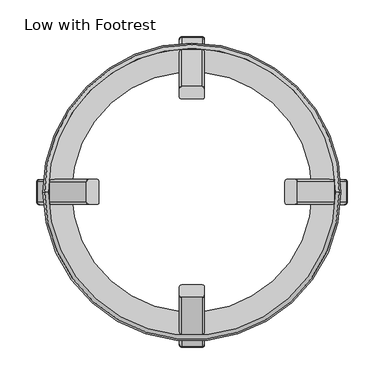
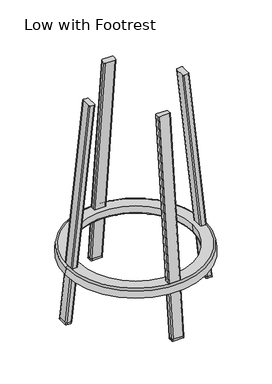
"""IFC4 building model written with IfcOpenShell, lengths in millimetres: furniture geometry, Low with Footrest."""

from ifc_helpers import new_model, si_unit, point, frame, origin, place, context, project, spatial, polyline, circle_curve, ellipse_curve, trimmed, source, transform, mapped, element, save
from ifc_brep_helpers import plane_surface, cylinder_surface, revolved_surface, advanced_brep


def low_with_footrest_e939b517(model_context):
    return source(origin(), model_context, "Body", "AdvancedBrep", [
        advanced_brep(
        [(-17.0, -206.8680483, 5.0), (-14.0, -209.8845732, 5.0), (14.0, -209.8845732, 5.0), (17.0, -206.8680483, 5.0), (17.0, -195.8074573, 5.0), (14.0, -192.7909324, 5.0), (-14.0, -192.7909324, 5.0), (-17.0, -195.8074573, 5.0), (17.0, -196.3329784, 0.0), (14.0, -193.3164536, 0.0), (17.0, -207.3935695, 0.0), (14.0, -210.4100944, 0.0), (-14.0, -210.4100944, 0.0), (-17.0, -207.3935695, 0.0), (-17.0, -196.3329784, 0.0), (-14.0, -193.3164536, 0.0)],
        [
            (0, 1, ellipse_curve(frame((-14.0, -206.8680483, 5.0), z_axis=(0.0, 0.0, 1.0), x_axis=(0.0, -1.0, 0.0)), 3.0165248, 3.0)),
            (1, 2),
            (2, 3, ellipse_curve(frame((14.0, -206.8680483, 5.0), z_axis=(0.0, 0.0, 1.0), x_axis=(0.0, -1.0, 0.0)), 3.0165248, 3.0)),
            (3, 4),
            (4, 5, ellipse_curve(frame((14.0, -195.8074573, 5.0), z_axis=(0.0, 0.0, 1.0), x_axis=(0.0, -1.0, 0.0)), 3.0165248, 3.0)),
            (5, 6),
            (6, 7, ellipse_curve(frame((-14.1882885, -195.6181316, 5.0), z_axis=(0.0, 0.0, 1.0), x_axis=(0.0, -1.0, 0.0)), 2.8335313, 2.8180089)),
            (7, 0),
            (4, 8),
            (8, 9, ellipse_curve(frame((14.0, -196.3329784, 0.0), z_axis=(0.0, 0.0, 1.0), x_axis=(0.0, -1.0, 0.0)), 3.0165248, 3.0)),
            (9, 5),
            (3, 10),
            (10, 8),
            (2, 11),
            (11, 10, ellipse_curve(frame((14.0, -207.3935695, 0.0), z_axis=(0.0, 0.0, 1.0), x_axis=(0.0, -1.0, 0.0)), 3.0165248, 3.0)),
            (1, 12),
            (12, 11),
            (12, 13, ellipse_curve(frame((-14.0, -207.3935695, 0.0), z_axis=(0.0, 0.0, -1.0), x_axis=(0.0, -1.0, 0.0)), 3.0165248, 3.0)),
            (13, 14),
            (14, 15, ellipse_curve(frame((-14.1882885, -196.1436528, 0.0), z_axis=(0.0, 0.0, -1.0), x_axis=(0.0, -1.0, 0.0)), 2.8335313, 2.8180089)),
            (15, 9),
            (0, 13),
            (7, 14),
            (6, 15),
        ],
        [
            plane_surface(frame((-237.3802631, -240.5411086, 5.0), z_axis=(0.0, 0.0, 1.0), x_axis=(0.0, 1.0, 0.0))),
            cylinder_surface(frame((14.0, -196.4867878, -1.4633985), z_axis=(0.0, -0.10452846326766245, -0.9945218953682725), x_axis=(0.0, 0.9945218953682723, -0.10452846326766244)), 3.0),
            plane_surface(frame((17.0, -196.4867878, -1.4633985), z_axis=(1.0, 0.0, 0.0), x_axis=(0.0, -0.9945218953682724, 0.10452846326766246))),
            cylinder_surface(frame((14.0, -207.4265287, -0.3135854), z_axis=(0.0, -0.10452846326766245, -0.9945218953682725), x_axis=(1.0, 0.0, 0.0)), 3.0),
            plane_surface(frame((14.0, -210.4100944, 0.0), z_axis=(0.0, -0.9945218953682725, 0.10452846326766245), x_axis=(-1.0, 0.0, 0.0))),
            plane_surface(frame((18.6818902, -186.2081713, 0.0), z_axis=(0.0, 0.0, -1.0), x_axis=(0.0, -1.0, 0.0))),
            cylinder_surface(frame((-14.0, -207.4265287, -0.3135854), z_axis=(0.0, -0.10452846326766245, -0.9945218953682725), x_axis=(0.0, -0.9945218953682724, 0.10452846326766244)), 3.0),
            plane_surface(frame((-17.0, -207.4265287, -0.3135854), z_axis=(-1.0, 0.0, 0.0), x_axis=(0.0, 0.9945218953682724, -0.10452846326766255))),
            cylinder_surface(frame((-14.1882885, -196.2995308, -1.48308), z_axis=(0.0, -0.10452846326766245, -0.9945218953682725), x_axis=(-0.9977653042872728, -0.06645012160664548, 0.006984189214777067)), 2.8180089),
            plane_surface(frame((-14.0, -193.5032221, -1.7769839), z_axis=(0.0, 0.9945218953682725, -0.10452846326766245), x_axis=(1.0, 0.0, 0.0))),
        ],
        [
            (0, [[1, 2, 3, 4, 5, 6, 7, 8]]),
            (1, [[-5, 9, 10, 11]]),
            (2, [[-4, 12, 13, -9]]),
            (3, [[-3, 14, 15, -12]]),
            (4, [[-2, 16, 17, -14]]),
            (5, [[18, 19, 20, 21, -10, -13, -15, -17]]),
            (6, [[-1, 22, -18, -16]]),
            (7, [[-8, 23, -19, -22]]),
            (8, [[-7, 24, -20, -23]]),
            (9, [[-6, -11, -21, -24]]),
        ],
    ),
        advanced_brep(
        [(-17.0, 207.3935695, 0.0), (-14.0, 210.4100944, 0.0), (14.0, 210.4100944, 0.0), (17.0, 207.3935695, 0.0), (17.0, 196.3329784, 0.0), (14.0, 193.3164536, 0.0), (-14.0, 193.3164536, 0.0), (-17.0, 196.3329784, 0.0), (-14.0, 192.7909324, 5.0), (-17.0, 195.8074573, 5.0), (14.0, 192.7909324, 5.0), (17.0, 195.8074573, 5.0), (17.0, 206.8680483, 5.0), (14.0, 209.8845732, 5.0), (-14.0, 209.8845732, 5.0), (-17.0, 206.8680483, 5.0)],
        [
            (0, 1, ellipse_curve(frame((-14.0, 207.3935695, 0.0), z_axis=(0.0, 0.0, -1.0), x_axis=(0.0, -1.0, 0.0)), 3.0165248, 3.0)),
            (1, 2),
            (2, 3, ellipse_curve(frame((14.0, 207.3935695, 0.0), z_axis=(0.0, 0.0, -1.0), x_axis=(0.0, -1.0, 0.0)), 3.0165248, 3.0)),
            (3, 4),
            (4, 5, ellipse_curve(frame((14.0, 196.3329784, 0.0), z_axis=(0.0, 0.0, -1.0), x_axis=(0.0, -1.0, 0.0)), 3.0165248, 3.0)),
            (5, 6),
            (6, 7, ellipse_curve(frame((-14.1882885, 196.1436528, 0.0), z_axis=(0.0, 0.0, -1.0), x_axis=(0.0, -1.0, 0.0)), 2.8335313, 2.8180089)),
            (7, 0),
            (8, 9, ellipse_curve(frame((-14.1882885, 195.6181316, 5.0), z_axis=(0.0, 0.0, -1.0), x_axis=(0.0, -1.0, 0.0)), 2.8335313, 2.8180089)),
            (9, 7),
            (6, 8),
            (10, 8),
            (5, 10),
            (11, 10, ellipse_curve(frame((14.0, 195.8074573, 5.0), z_axis=(0.0, 0.0, -1.0), x_axis=(0.0, -1.0, 0.0)), 3.0165248, 3.0)),
            (4, 11),
            (12, 11),
            (3, 12),
            (13, 12, ellipse_curve(frame((14.0, 206.8680483, 5.0), z_axis=(0.0, 0.0, -1.0), x_axis=(0.0, -1.0, 0.0)), 3.0165248, 3.0)),
            (2, 13),
            (14, 13),
            (1, 14),
            (15, 14, ellipse_curve(frame((-14.0, 206.8680483, 5.0), z_axis=(0.0, 0.0, -1.0), x_axis=(0.0, -1.0, 0.0)), 3.0165248, 3.0)),
            (0, 15),
            (9, 15),
        ],
        [
            plane_surface(frame((18.6818902, 186.2081713, 0.0), z_axis=(0.0, 0.0, -1.0), x_axis=(0.0, 1.0, 0.0))),
            cylinder_surface(frame((-14.1882885, 196.2995308, -1.48308), z_axis=(0.0, -0.10452846326766245, 0.9945218953682725), x_axis=(-0.9977653042872736, 0.06645012160663391, 0.006984189214777067)), 2.8180089),
            plane_surface(frame((-14.0, 193.5032221, -1.7769839), z_axis=(0.0, -0.9945218953682725, -0.10452846326766245), x_axis=(1.0, 0.0, 0.0))),
            cylinder_surface(frame((14.0, 196.4867878, -1.4633985), z_axis=(0.0, -0.10452846326766245, 0.9945218953682725), x_axis=(0.0, -0.9945218953682723, -0.10452846326766244)), 3.0),
            plane_surface(frame((17.0, 196.4867878, -1.4633985), z_axis=(1.0, 0.0, 0.0), x_axis=(0.0, 0.9945218953682724, 0.10452846326766246))),
            cylinder_surface(frame((14.0, 207.4265287, -0.3135854), z_axis=(0.0, -0.10452846326766245, 0.9945218953682725), x_axis=(1.0, 0.0, 0.0)), 3.0),
            plane_surface(frame((14.0, 210.4100944, 0.0), z_axis=(0.0, 0.9945218953682725, 0.10452846326766245), x_axis=(-1.0, 0.0, 0.0))),
            cylinder_surface(frame((-14.0, 207.4265287, -0.3135854), z_axis=(0.0, -0.10452846326766245, 0.9945218953682725), x_axis=(0.0, 0.9945218953682724, 0.10452846326766244)), 3.0),
            plane_surface(frame((-17.0, 207.4265287, -0.3135854), z_axis=(-1.0, 0.0, 0.0), x_axis=(0.0, -0.9945218953682724, -0.10452846326766255))),
            plane_surface(frame((-237.3802631, -240.5411086, 5.0), z_axis=(0.0, 0.0, 1.0), x_axis=(0.0, 1.0, 0.0))),
        ],
        [
            (0, [[1, 2, 3, 4, 5, 6, 7, 8]]),
            (1, [[9, 10, -7, 11]]),
            (2, [[12, -11, -6, 13]]),
            (3, [[14, -13, -5, 15]]),
            (4, [[16, -15, -4, 17]]),
            (5, [[18, -17, -3, 19]]),
            (6, [[20, -19, -2, 21]]),
            (7, [[22, -21, -1, 23]]),
            (8, [[24, -23, -8, -10]]),
            (9, [[-16, -18, -20, -22, -24, -9, -12, -14]]),
        ],
    ),
        advanced_brep(
        [(209.8845732, 14.0, 5.0), (206.8680483, 17.0, 5.0), (195.8074573, 17.0, 5.0), (192.7909324, 14.0, 5.0), (192.7909324, -14.0, 5.0), (195.8074573, -17.0, 5.0), (206.8680483, -17.0, 5.0), (209.8845732, -14.0, 5.0), (193.3164536, -14.0, 0.0), (196.3329785, -17.0, 0.0), (193.3164536, 14.0, 0.0), (196.3329785, 17.0, 0.0), (207.3935695, 17.0, 0.0), (210.4100944, 14.0, 0.0), (210.4100944, -14.0, 0.0), (207.3935695, -17.0, 0.0)],
        [
            (0, 1, ellipse_curve(frame((206.8680483, 14.0, 5.0), z_axis=(0.0, 0.0, 1.0), x_axis=(-1.0, 0.0, 0.0)), 3.0165248, 3.0)),
            (1, 2),
            (2, 3, ellipse_curve(frame((195.6181316, 14.1882885, 5.0), z_axis=(0.0, 0.0, 1.0), x_axis=(-1.0, 0.0, 0.0)), 2.8335313, 2.8180089)),
            (3, 4),
            (4, 5, ellipse_curve(frame((195.8074573, -14.0, 5.0), z_axis=(0.0, 0.0, 1.0), x_axis=(-1.0, 0.0, 0.0)), 3.0165248, 3.0)),
            (5, 6),
            (6, 7, ellipse_curve(frame((206.8680483, -14.0, 5.0), z_axis=(0.0, 0.0, 1.0), x_axis=(-1.0, 0.0, 0.0)), 3.0165248, 3.0)),
            (7, 0),
            (4, 8),
            (8, 9, ellipse_curve(frame((196.3329785, -14.0, 0.0), z_axis=(0.0, 0.0, 1.0), x_axis=(-1.0, 0.0, 0.0)), 3.0165248, 3.0)),
            (9, 5),
            (3, 10),
            (10, 8),
            (2, 11),
            (11, 10, ellipse_curve(frame((196.1436528, 14.1882885, 0.0), z_axis=(0.0, 0.0, 1.0), x_axis=(-1.0, 0.0, 0.0)), 2.8335313, 2.8180089)),
            (1, 12),
            (12, 11),
            (12, 13, ellipse_curve(frame((207.3935695, 14.0, 0.0), z_axis=(0.0, 0.0, -1.0), x_axis=(-1.0, 0.0, 0.0)), 3.0165248, 3.0)),
            (13, 14),
            (14, 15, ellipse_curve(frame((207.3935695, -14.0, 0.0), z_axis=(0.0, 0.0, -1.0), x_axis=(-1.0, 0.0, 0.0)), 3.0165248, 3.0)),
            (15, 9),
            (0, 13),
            (7, 14),
            (6, 15),
        ],
        [
            plane_surface(frame((-237.3802631, -240.5411086, 5.0), z_axis=(0.0, 0.0, 1.0), x_axis=(0.0, 1.0, 0.0))),
            cylinder_surface(frame((196.4867878, -14.0, -1.4633985), z_axis=(-0.10452846326766245, 0.0, 0.9945218953682725), x_axis=(-0.9945218953682723, 0.0, -0.10452846326766244)), 3.0),
            plane_surface(frame((193.5032221, 14.0, -1.7769839), z_axis=(-0.9945218953682725, 0.0, -0.10452846326766245), x_axis=(0.0, -1.0, 0.0))),
            cylinder_surface(frame((196.2995308, 14.1882885, -1.48308), z_axis=(-0.10452846326766245, 0.0, 0.9945218953682725), x_axis=(0.06645012160664593, 0.9977653042872728, 0.006984189214777067)), 2.8180089),
            plane_surface(frame((207.4265287, 17.0, -0.3135854), z_axis=(0.0, 1.0, 0.0), x_axis=(-0.9945218953682724, 0.0, -0.10452846326766255))),
            plane_surface(frame((186.2081713, -18.6818902, 0.0), z_axis=(0.0, 0.0, -1.0), x_axis=(1.0, 0.0, 0.0))),
            cylinder_surface(frame((207.4265287, 14.0, -0.3135854), z_axis=(-0.10452846326766245, 0.0, 0.9945218953682725), x_axis=(0.9945218953682724, 0.0, 0.10452846326766244)), 3.0),
            plane_surface(frame((210.4100944, -14.0, 0.0), z_axis=(0.9945218953682725, 0.0, 0.10452846326766245), x_axis=(0.0, 1.0, 0.0))),
            cylinder_surface(frame((207.4265287, -14.0, -0.3135854), z_axis=(-0.10452846326766245, 0.0, 0.9945218953682725), x_axis=(0.0, -1.0, 0.0)), 3.0),
            plane_surface(frame((196.4867878, -17.0, -1.4633985), z_axis=(0.0, -1.0, 0.0), x_axis=(0.9945218953682724, 0.0, 0.10452846326766246))),
        ],
        [
            (0, [[1, 2, 3, 4, 5, 6, 7, 8]]),
            (1, [[-5, 9, 10, 11]]),
            (2, [[-4, 12, 13, -9]]),
            (3, [[-3, 14, 15, -12]]),
            (4, [[-2, 16, 17, -14]]),
            (5, [[18, 19, 20, 21, -10, -13, -15, -17]]),
            (6, [[-1, 22, -18, -16]]),
            (7, [[-8, 23, -19, -22]]),
            (8, [[-7, 24, -20, -23]]),
            (9, [[-6, -11, -21, -24]]),
        ],
    ),
        advanced_brep(
        [(-192.7909324, 14.0, 5.0), (-192.7909324, -14.0, 5.0), (-193.3164536, -14.0, 0.0), (-193.3164536, 14.0, 0.0), (-195.8074573, 17.0, 5.0), (-196.3329784, 17.0, 0.0), (-206.8680483, 17.0, 5.0), (-207.3935695, 17.0, 0.0), (-209.8845732, 14.0, 5.0), (-210.4100944, 14.0, 0.0), (-196.3329784, -17.0, 0.0), (-207.3935695, -17.0, 0.0), (-210.4100944, -14.0, 0.0), (-209.8845732, -14.0, 5.0), (-206.8680483, -17.0, 5.0), (-195.8074573, -17.0, 5.0)],
        [
            (0, 1),
            (1, 2),
            (2, 3),
            (3, 0),
            (4, 0, ellipse_curve(frame((-195.6181316, 14.1882885, 5.0), z_axis=(0.0, 0.0, -1.0), x_axis=(-1.0, 0.0, 0.0)), 2.8335313, 2.8180089)),
            (3, 5, ellipse_curve(frame((-196.1436528, 14.1882885, 0.0), z_axis=(0.0, 0.0, 1.0), x_axis=(-1.0, 0.0, 0.0)), 2.8335313, 2.8180089)),
            (5, 4),
            (6, 4),
            (5, 7),
            (7, 6),
            (8, 6, ellipse_curve(frame((-206.8680483, 14.0, 5.0), z_axis=(0.0, 0.0, -1.0), x_axis=(-1.0, 0.0, 0.0)), 3.0165248, 3.0)),
            (7, 9, ellipse_curve(frame((-207.3935695, 14.0, 0.0), z_axis=(0.0, 0.0, 1.0), x_axis=(-1.0, 0.0, 0.0)), 3.0165248, 3.0)),
            (9, 8),
            (2, 10, ellipse_curve(frame((-196.3329784, -14.0, 0.0), z_axis=(0.0, 0.0, -1.0), x_axis=(-1.0, 0.0, 0.0)), 3.0165248, 3.0)),
            (10, 11),
            (11, 12, ellipse_curve(frame((-207.3935695, -14.0, 0.0), z_axis=(0.0, 0.0, -1.0), x_axis=(-1.0, 0.0, 0.0)), 3.0165248, 3.0)),
            (12, 9),
            (13, 8),
            (12, 13),
            (14, 13, ellipse_curve(frame((-206.8680483, -14.0, 5.0), z_axis=(0.0, 0.0, -1.0), x_axis=(-1.0, 0.0, 0.0)), 3.0165248, 3.0)),
            (11, 14),
            (15, 14),
            (10, 15),
            (1, 15, ellipse_curve(frame((-195.8074573, -14.0, 5.0), z_axis=(0.0, 0.0, -1.0), x_axis=(-1.0, 0.0, 0.0)), 3.0165248, 3.0)),
        ],
        [
            plane_surface(frame((-193.5032221, 14.0, -1.7769839), z_axis=(0.9945218953682725, 0.0, -0.10452846326766245), x_axis=(0.0, -1.0, 0.0))),
            cylinder_surface(frame((-196.2995308, 14.1882885, -1.48308), z_axis=(-0.10452846326766245, 0.0, -0.9945218953682725), x_axis=(-0.06645012160663348, 0.9977653042872738, 0.006984189214777068)), 2.8180089),
            plane_surface(frame((-207.4265287, 17.0, -0.3135854), z_axis=(0.0, 1.0, 0.0), x_axis=(0.9945218953682724, 0.0, -0.10452846326766255))),
            cylinder_surface(frame((-207.4265287, 14.0, -0.3135854), z_axis=(-0.10452846326766245, 0.0, -0.9945218953682725), x_axis=(-0.9945218953682724, 0.0, 0.10452846326766244)), 3.0),
            plane_surface(frame((-186.2081713, -18.6818902, 0.0), z_axis=(0.0, 0.0, -1.0), x_axis=(-1.0, 0.0, 0.0))),
            plane_surface(frame((-210.4100944, -14.0, 0.0), z_axis=(-0.9945218953682725, 0.0, 0.10452846326766245), x_axis=(0.0, 1.0, 0.0))),
            cylinder_surface(frame((-207.4265287, -14.0, -0.3135854), z_axis=(-0.10452846326766245, 0.0, -0.9945218953682725), x_axis=(0.0, -1.0, 0.0)), 3.0),
            plane_surface(frame((-196.4867878, -17.0, -1.4633985), z_axis=(0.0, -1.0, 0.0), x_axis=(-0.9945218953682724, 0.0, 0.10452846326766246))),
            cylinder_surface(frame((-196.4867878, -14.0, -1.4633985), z_axis=(-0.10452846326766245, 0.0, -0.9945218953682725), x_axis=(0.9945218953682723, 0.0, -0.10452846326766244)), 3.0),
            plane_surface(frame((-237.3802631, -240.5411086, 5.0), z_axis=(0.0, 0.0, 1.0), x_axis=(0.0, 1.0, 0.0))),
        ],
        [
            (0, [[1, 2, 3, 4]]),
            (1, [[5, -4, 6, 7]]),
            (2, [[8, -7, 9, 10]]),
            (3, [[11, -10, 12, 13]]),
            (4, [[-12, -9, -6, -3, 14, 15, 16, 17]]),
            (5, [[18, -13, -17, 19]]),
            (6, [[20, -19, -16, 21]]),
            (7, [[22, -21, -15, 23]]),
            (8, [[24, -23, -14, -2]]),
            (9, [[-11, -18, -20, -22, -24, -1, -5, -8]]),
        ],
    ),
        advanced_brep(
        [(202.077074, 0.0, 139.5), (199.9726095, 0.0, 159.5226423), (-199.9726095, 0.0, 159.5226423), (-202.077074, 0.0, 139.5), (163.0007615, 0.0, 144.412738), (168.0, 0.0, 139.5), (-168.0, 0.0, 139.5), (-163.0007615, 0.0, 144.412738), (162.7461399, 0.0, 164.0), (-162.7461399, 0.0, 164.0), (195.0, 0.0, 164.0), (-195.0, 0.0, 164.0)],
        [
            (0, 1),
            (1, 2, circle_curve(frame((0.0, 0.0, 159.5226423), z_axis=(0.0, 0.0, -1.0), x_axis=(1.0, 0.0, 0.0)), 199.9726095)),
            (2, 3),
            (3, 0, circle_curve(frame((0.0, 0.0, 139.5), z_axis=(0.0, 0.0, 1.0), x_axis=(1.0, 0.0, 0.0)), 202.077074)),
            (4, 5, circle_curve(frame((167.977827, 0.0, 144.4774366), z_axis=(0.0, -1.0, 0.0), x_axis=(1.0, 0.0, 0.0)), 4.977486)),
            (5, 6, circle_curve(frame((0.0, 0.0, 139.5), z_axis=(0.0, 0.0, -1.0), x_axis=(1.0, 0.0, 0.0)), 168.0)),
            (6, 7, circle_curve(frame((-167.977827, 0.0, 144.4774366), z_axis=(0.0, -1.0, 0.0), x_axis=(-1.0, 0.0, 0.0)), 4.977486)),
            (7, 4, circle_curve(frame((0.0, 0.0, 144.412738), z_axis=(0.0, 0.0, 1.0), x_axis=(1.0, 0.0, 0.0)), 163.0007615)),
            (4, 8),
            (8, 9, circle_curve(frame((0.0, 0.0, 164.0), z_axis=(0.0, 0.0, 1.0), x_axis=(1.0, 0.0, 0.0)), 162.7461399)),
            (9, 7),
            (7, 4, circle_curve(frame((0.0, 0.0, 144.412738), z_axis=(0.0, 0.0, -1.0), x_axis=(1.0, 0.0, 0.0)), 163.0007615)),
            (1, 10, circle_curve(frame((195.0, 0.0, 159.0), z_axis=(0.0, -0.9999999999999999, 0.0), x_axis=(0.9999999999999999, 0.0, 0.0)), 5.0)),
            (10, 11, circle_curve(frame((0.0, 0.0, 164.0), z_axis=(0.0, 0.0, -1.0), x_axis=(0.9999999999999999, 0.0, 0.0)), 195.0)),
            (11, 2, circle_curve(frame((-195.0, 0.0, 159.0), z_axis=(0.0, -0.9999999999999999, 0.0), x_axis=(-0.9999999999999999, 0.0, 0.0)), 5.0)),
            (1, 2, circle_curve(frame((0.0, 0.0, 159.5226423), z_axis=(0.0, 0.0, 1.0), x_axis=(0.9999999999999999, 0.0, 0.0)), 199.9726095)),
            (11, 10, circle_curve(frame((0.0, 0.0, 164.0), z_axis=(0.0, 0.0, -1.0), x_axis=(0.9999999999999999, 0.0, 0.0)), 195.0)),
            (8, 9, circle_curve(frame((0.0, 0.0, 164.0), z_axis=(0.0, 0.0, -1.0), x_axis=(1.0, 0.0, 0.0)), 162.7461399)),
            (6, 5, circle_curve(frame((0.0, 0.0, 139.5), z_axis=(0.0, 0.0, -1.0), x_axis=(1.0, 0.0, 0.0)), 168.0)),
            (3, 0, circle_curve(frame((0.0, 0.0, 139.5), z_axis=(0.0, 0.0, -1.0), x_axis=(1.0, 0.0, 0.0)), 202.077074)),
        ],
        [
            revolved_surface(polyline([(199.9726094928645, 0.0, 159.52264229999992), (202.077074, 0.0, 139.5)]), (0.0, 0.0, 2062.1349297), (0.0, 0.0, -1.0)),
            revolved_surface(trimmed(ellipse_curve(frame((167.977827, 0.0, 144.4774366), z_axis=(0.0, -1.0, 0.0), x_axis=(1.0, 0.0, 0.0)), 4.977486, 4.977486), [point((163.0007615, 0.0, 144.412738))], [point((168.0, 0.0, 139.5))], True, "CARTESIAN"), (0.0, 0.0, 144.4774366), (0.0, 0.0, 1.0)),
            revolved_surface(polyline([(163.0007615, 0.0, 144.41273799999908), (162.7461398945695, 0.0, 164.0)]), (0.0, 0.0, 12683.5632013), (0.0, 0.0, -1.0)),
            revolved_surface(trimmed(ellipse_curve(frame((195.0, 0.0, 159.0), z_axis=(0.0, -0.9999999999999999, 0.0), x_axis=(0.9999999999999999, 0.0, 0.0)), 5.0, 5.0), [point((199.9726095, 0.0, 159.5226423))], [point((195.0, 0.0, 164.0))], True, "CARTESIAN"), (0.0, 0.0, 159.0), (0.0, 0.0, 1.0)),
            plane_surface(frame((162.7461399, 0.0, 164.0), z_axis=(0.0, 0.0, 1.0), x_axis=(1.0, 0.0, 0.0))),
            plane_surface(frame((202.077074, 0.0, 139.5), z_axis=(0.0, 0.0, -1.0), x_axis=(-1.0, 0.0, 0.0))),
        ],
        [
            (0, [[1, 2, 3, 4]]),
            (1, [[5, 6, 7, 8]]),
            (2, [[9, 10, 11, 12]]),
            (3, [[13, 14, 15, -2]]),
            (3, [[-13, 16, -15, 17]]),
            (4, [[-17, -14], [-10, 18]]),
            (2, [[-9, -8, -11, -18]]),
            (1, [[-5, -12, -7, 19]]),
            (5, [[20, -4], [-19, -6]]),
            (0, [[-1, -20, -3, -16]]),
        ],
    ),
        advanced_brep(
        [(-17.0, 190.1564749, 164.0), (-14.0, 193.1729998, 164.0), (14.0, 193.1729998, 164.0), (17.0, 190.1564749, 164.0), (17.0, 179.0958839, 164.0), (14.0, 176.079359, 164.0), (-14.0, 176.079359, 164.0), (-17.0, 179.0958839, 164.0), (17.0, 140.1339623, 639.9324165), (17.0, 129.1942214, 638.7826034), (14.0, 126.2106557, 638.469018), (14.0, 143.117528, 640.2460019), (-14.0, 143.117528, 640.2460019), (-17.0, 140.1339623, 639.9324165), (-14.0, 126.2106557, 638.469018), (-17.0, 129.1942214, 638.7826034)],
        [
            (0, 1, ellipse_curve(frame((-14.0, 190.1564749, 164.0), z_axis=(0.0, 0.0, -1.0), x_axis=(0.0, -1.0, 0.0)), 3.0165248, 3.0)),
            (1, 2),
            (2, 3, ellipse_curve(frame((14.0, 190.1564749, 164.0), z_axis=(0.0, 0.0, -1.0), x_axis=(0.0, -1.0, 0.0)), 3.0165248, 3.0)),
            (3, 4),
            (4, 5, ellipse_curve(frame((14.0, 179.0958839, 164.0), z_axis=(0.0, 0.0, -1.0), x_axis=(0.0, -1.0, 0.0)), 3.0165248, 3.0)),
            (5, 6),
            (6, 7, ellipse_curve(frame((-14.1882885, 178.9065582, 164.0), z_axis=(0.0, 0.0, -1.0), x_axis=(0.0, -1.0, 0.0)), 2.8335313, 2.8180089)),
            (7, 0),
            (3, 8),
            (8, 9),
            (9, 4),
            (9, 10, circle_curve(frame((14.0, 129.1942214, 638.7826034), z_axis=(0.0, 0.10452846326766245, -0.9945218953682725), x_axis=(0.0, -0.9945218953682723, -0.10452846326766244)), 3.0)),
            (10, 5),
            (2, 11),
            (11, 8, circle_curve(frame((14.0, 140.1339623, 639.9324165), z_axis=(0.0, 0.10452846326766245, -0.9945218953682725), x_axis=(1.0, 0.0, 0.0)), 3.0)),
            (1, 12),
            (12, 11),
            (0, 13),
            (13, 12, circle_curve(frame((-14.0, 140.1339623, 639.9324165), z_axis=(0.0, 0.10452846326766245, -0.9945218953682725), x_axis=(0.0, 0.9945218953682724, 0.10452846326766244)), 3.0)),
            (10, 14),
            (14, 6),
            (14, 15, circle_curve(frame((-14.1882885, 129.0069644, 638.7629219), z_axis=(0.0, 0.10452846326766245, -0.9945218953682725), x_axis=(-0.9977653042872736, 0.06645012160663391, 0.006984189214777067)), 2.8180089)),
            (15, 7),
            (15, 13),
        ],
        [
            plane_surface(frame((162.7461399, 0.0, 164.0), z_axis=(0.0, 0.0, -1.0), x_axis=(1.0, 0.0, 0.0))),
            plane_surface(frame((17.0, 196.4867878, -1.4633985), z_axis=(1.0, 0.0, 0.0), x_axis=(0.0, 0.9945218953682724, 0.10452846326766246))),
            cylinder_surface(frame((14.0, 196.4867878, -1.4633985), z_axis=(0.0, -0.10452846326766245, 0.9945218953682725), x_axis=(0.0, -0.9945218953682723, -0.10452846326766244)), 3.0),
            cylinder_surface(frame((14.0, 207.4265287, -0.3135854), z_axis=(0.0, -0.10452846326766245, 0.9945218953682725), x_axis=(1.0, 0.0, 0.0)), 3.0),
            plane_surface(frame((14.0, 210.4100944, 0.0), z_axis=(0.0, 0.9945218953682725, 0.10452846326766245), x_axis=(-1.0, 0.0, 0.0))),
            cylinder_surface(frame((-14.0, 207.4265287, -0.3135854), z_axis=(0.0, -0.10452846326766245, 0.9945218953682725), x_axis=(0.0, 0.9945218953682724, 0.10452846326766244)), 3.0),
            plane_surface(frame((-14.0, 193.5032221, -1.7769839), z_axis=(0.0, -0.9945218953682725, -0.10452846326766245), x_axis=(1.0, 0.0, 0.0))),
            cylinder_surface(frame((-14.1882885, 196.2995308, -1.48308), z_axis=(0.0, -0.10452846326766245, 0.9945218953682725), x_axis=(-0.9977653042872736, 0.06645012160663391, 0.006984189214777067)), 2.8180089),
            plane_surface(frame((-17.0, 207.4265287, -0.3135854), z_axis=(-1.0, 0.0, 0.0), x_axis=(0.0, -0.9945218953682724, -0.10452846326766255))),
            plane_surface(frame((-0.0132768, 134.657144, 639.3567797), z_axis=(0.0, -0.10452846326766241, 0.9945218953682724), x_axis=(1.0, 0.0, 0.0))),
        ],
        [
            (0, [[1, 2, 3, 4, 5, 6, 7, 8]]),
            (1, [[-4, 9, 10, 11]]),
            (2, [[-5, -11, 12, 13]]),
            (3, [[-3, 14, 15, -9]]),
            (4, [[-2, 16, 17, -14]]),
            (5, [[-1, 18, 19, -16]]),
            (6, [[-6, -13, 20, 21]]),
            (7, [[-7, -21, 22, 23]]),
            (8, [[-8, -23, 24, -18]]),
            (9, [[-24, -22, -20, -12, -10, -15, -17, -19]]),
        ],
    ),
        advanced_brep(
        [(-14.0, -209.8845732, 5.0), (-17.0, -206.8680483, 5.0), (-17.0, -195.8074573, 5.0), (-14.0, -192.7909324, 5.0), (14.0, -192.7909324, 5.0), (17.0, -195.8074573, 5.0), (17.0, -206.8680483, 5.0), (14.0, -209.8845732, 5.0), (14.0, -178.6544128, 139.5), (17.0, -181.6709376, 139.5), (-14.0, -178.6544128, 139.5), (-17.0, -181.6709376, 139.5), (-17.0, -192.7315287, 139.5), (-14.0, -195.7480535, 139.5), (14.0, -195.7480535, 139.5), (17.0, -192.7315287, 139.5)],
        [
            (0, 1, ellipse_curve(frame((-14.0, -206.8680483, 5.0), z_axis=(0.0, 0.0, -1.0), x_axis=(0.0, -1.0, 0.0)), 3.0165248, 3.0)),
            (1, 2),
            (2, 3, ellipse_curve(frame((-14.1882885, -195.6181316, 5.0), z_axis=(0.0, 0.0, -1.0), x_axis=(0.0, -1.0, 0.0)), 2.8335313, 2.8180089)),
            (3, 4),
            (4, 5, ellipse_curve(frame((14.0, -195.8074573, 5.0), z_axis=(0.0, 0.0, -1.0), x_axis=(0.0, -1.0, 0.0)), 3.0165248, 3.0)),
            (5, 6),
            (6, 7, ellipse_curve(frame((14.0, -206.8680483, 5.0), z_axis=(0.0, 0.0, -1.0), x_axis=(0.0, -1.0, 0.0)), 3.0165248, 3.0)),
            (7, 0),
            (4, 8),
            (8, 9, ellipse_curve(frame((14.0, -181.6709376, 139.5), z_axis=(0.0, 0.0, -1.0), x_axis=(0.0, -1.0, 0.0)), 3.0165248, 3.0)),
            (9, 5),
            (3, 10),
            (10, 8),
            (2, 11),
            (11, 10, ellipse_curve(frame((-14.1882885, -181.481612, 139.5), z_axis=(0.0, 0.0, -1.0), x_axis=(0.0, -1.0, 0.0)), 2.8335313, 2.8180089)),
            (1, 12),
            (12, 11),
            (0, 13),
            (13, 12, ellipse_curve(frame((-14.0, -192.7315287, 139.5), z_axis=(0.0, 0.0, -1.0), x_axis=(0.0, -1.0, 0.0)), 3.0165248, 3.0)),
            (7, 14),
            (14, 13),
            (6, 15),
            (15, 14, ellipse_curve(frame((14.0, -192.7315287, 139.5), z_axis=(0.0, 0.0, -1.0), x_axis=(0.0, -1.0, 0.0)), 3.0165248, 3.0)),
            (9, 15),
        ],
        [
            plane_surface(frame((-237.3802631, 229.2159967, 5.0), z_axis=(0.0, 0.0, -1.0), x_axis=(0.0, -1.0, 0.0))),
            cylinder_surface(frame((14.0, -196.4867878, -1.4633985), z_axis=(0.0, -0.10452846326766245, -0.9945218953682725), x_axis=(0.0, 0.9945218953682723, -0.10452846326766244)), 3.0),
            plane_surface(frame((-14.0, -193.5032221, -1.7769839), z_axis=(0.0, 0.9945218953682725, -0.10452846326766245), x_axis=(1.0, 0.0, 0.0))),
            cylinder_surface(frame((-14.1882885, -196.2995308, -1.48308), z_axis=(0.0, -0.10452846326766245, -0.9945218953682725), x_axis=(-0.9977653042872728, -0.06645012160664548, 0.006984189214777067)), 2.8180089),
            plane_surface(frame((-17.0, -207.4265287, -0.3135854), z_axis=(-1.0, 0.0, 0.0), x_axis=(0.0, 0.9945218953682724, -0.10452846326766255))),
            cylinder_surface(frame((-14.0, -207.4265287, -0.3135854), z_axis=(0.0, -0.10452846326766245, -0.9945218953682725), x_axis=(0.0, -0.9945218953682724, 0.10452846326766244)), 3.0),
            plane_surface(frame((14.0, -210.4100944, 0.0), z_axis=(0.0, -0.9945218953682725, 0.10452846326766245), x_axis=(-1.0, 0.0, 0.0))),
            cylinder_surface(frame((14.0, -207.4265287, -0.3135854), z_axis=(0.0, -0.10452846326766245, -0.9945218953682725), x_axis=(1.0, 0.0, 0.0)), 3.0),
            plane_surface(frame((17.0, -196.4867878, -1.4633985), z_axis=(1.0, 0.0, 0.0), x_axis=(0.0, -0.9945218953682724, 0.10452846326766246))),
            plane_surface(frame((202.077074, 0.0, 139.5), z_axis=(0.0, 0.0, 1.0), x_axis=(-1.0, 0.0, 0.0))),
        ],
        [
            (0, [[1, 2, 3, 4, 5, 6, 7, 8]]),
            (1, [[-5, 9, 10, 11]]),
            (2, [[-4, 12, 13, -9]]),
            (3, [[-3, 14, 15, -12]]),
            (4, [[-2, 16, 17, -14]]),
            (5, [[-1, 18, 19, -16]]),
            (6, [[-8, 20, 21, -18]]),
            (7, [[-7, 22, 23, -20]]),
            (8, [[-6, -11, 24, -22]]),
            (9, [[-19, -21, -23, -24, -10, -13, -15, -17]]),
        ],
    ),
        advanced_brep(
        [(-14.0, 209.8845732, 5.0), (-17.0, 206.8680483, 5.0), (-17.0, 192.7315287, 139.5), (-14.0, 195.7480535, 139.5), (14.0, 209.8845732, 5.0), (14.0, 195.7480535, 139.5), (17.0, 206.8680483, 5.0), (17.0, 192.7315287, 139.5), (17.0, 195.8074573, 5.0), (17.0, 181.6709376, 139.5), (-17.0, 181.6709376, 139.5), (-14.0, 178.6544128, 139.5), (14.0, 178.6544128, 139.5), (14.0, 192.7909324, 5.0), (-14.0, 192.7909324, 5.0), (-17.0, 195.8074573, 5.0)],
        [
            (0, 1, ellipse_curve(frame((-14.0, 206.8680483, 5.0), z_axis=(0.0, 0.0, 1.0), x_axis=(0.0, -1.0, 0.0)), 3.0165248, 3.0)),
            (1, 2),
            (2, 3, ellipse_curve(frame((-14.0, 192.7315287, 139.5), z_axis=(0.0, 0.0, -1.0), x_axis=(0.0, -1.0, 0.0)), 3.0165248, 3.0)),
            (3, 0),
            (4, 0),
            (3, 5),
            (5, 4),
            (6, 4, ellipse_curve(frame((14.0, 206.8680483, 5.0), z_axis=(0.0, 0.0, 1.0), x_axis=(0.0, -1.0, 0.0)), 3.0165248, 3.0)),
            (5, 7, ellipse_curve(frame((14.0, 192.7315287, 139.5), z_axis=(0.0, 0.0, -1.0), x_axis=(0.0, -1.0, 0.0)), 3.0165248, 3.0)),
            (7, 6),
            (8, 6),
            (7, 9),
            (9, 8),
            (2, 10),
            (10, 11, ellipse_curve(frame((-14.1882885, 181.481612, 139.5), z_axis=(0.0, 0.0, 1.0), x_axis=(0.0, -1.0, 0.0)), 2.8335313, 2.8180089)),
            (11, 12),
            (12, 9, ellipse_curve(frame((14.0, 181.6709376, 139.5), z_axis=(0.0, 0.0, 1.0), x_axis=(0.0, -1.0, 0.0)), 3.0165248, 3.0)),
            (13, 8, ellipse_curve(frame((14.0, 195.8074573, 5.0), z_axis=(0.0, 0.0, 1.0), x_axis=(0.0, -1.0, 0.0)), 3.0165248, 3.0)),
            (12, 13),
            (14, 13),
            (11, 14),
            (15, 14, ellipse_curve(frame((-14.1882885, 195.6181316, 5.0), z_axis=(0.0, 0.0, 1.0), x_axis=(0.0, -1.0, 0.0)), 2.8335313, 2.8180089)),
            (10, 15),
            (1, 15),
        ],
        [
            cylinder_surface(frame((-14.0, 207.4265287, -0.3135854), z_axis=(0.0, -0.10452846326766245, 0.9945218953682725), x_axis=(0.0, 0.9945218953682724, 0.10452846326766244)), 3.0),
            plane_surface(frame((14.0, 210.4100944, 0.0), z_axis=(0.0, 0.9945218953682725, 0.10452846326766245), x_axis=(-1.0, 0.0, 0.0))),
            cylinder_surface(frame((14.0, 207.4265287, -0.3135854), z_axis=(0.0, -0.10452846326766245, 0.9945218953682725), x_axis=(1.0, 0.0, 0.0)), 3.0),
            plane_surface(frame((17.0, 196.4867878, -1.4633985), z_axis=(1.0, 0.0, 0.0), x_axis=(0.0, 0.9945218953682724, 0.10452846326766246))),
            plane_surface(frame((202.077074, 0.0, 139.5), z_axis=(0.0, 0.0, 1.0), x_axis=(-1.0, 0.0, 0.0))),
            cylinder_surface(frame((14.0, 196.4867878, -1.4633985), z_axis=(0.0, -0.10452846326766245, 0.9945218953682725), x_axis=(0.0, -0.9945218953682723, -0.10452846326766244)), 3.0),
            plane_surface(frame((-14.0, 193.5032221, -1.7769839), z_axis=(0.0, -0.9945218953682725, -0.10452846326766245), x_axis=(1.0, 0.0, 0.0))),
            cylinder_surface(frame((-14.1882885, 196.2995308, -1.48308), z_axis=(0.0, -0.10452846326766245, 0.9945218953682725), x_axis=(-0.9977653042872736, 0.06645012160663391, 0.006984189214777067)), 2.8180089),
            plane_surface(frame((-17.0, 207.4265287, -0.3135854), z_axis=(-1.0, 0.0, 0.0), x_axis=(0.0, -0.9945218953682724, -0.10452846326766255))),
            plane_surface(frame((-237.3802631, 229.2159967, 5.0), z_axis=(0.0, 0.0, -1.0), x_axis=(0.0, -1.0, 0.0))),
        ],
        [
            (0, [[1, 2, 3, 4]]),
            (1, [[5, -4, 6, 7]]),
            (2, [[8, -7, 9, 10]]),
            (3, [[11, -10, 12, 13]]),
            (4, [[-3, 14, 15, 16, 17, -12, -9, -6]]),
            (5, [[18, -13, -17, 19]]),
            (6, [[20, -19, -16, 21]]),
            (7, [[22, -21, -15, 23]]),
            (8, [[24, -23, -14, -2]]),
            (9, [[-11, -18, -20, -22, -24, -1, -5, -8]]),
        ],
    ),
        advanced_brep(
        [(206.8680483, 17.0, 5.0), (209.8845732, 14.0, 5.0), (209.8845732, -14.0, 5.0), (206.8680483, -17.0, 5.0), (195.8074573, -17.0, 5.0), (192.7909324, -14.0, 5.0), (192.7909324, 14.0, 5.0), (195.8074573, 17.0, 5.0), (181.6709376, -17.0, 139.5), (178.6544128, -14.0, 139.5), (192.7315287, -17.0, 139.5), (195.7480535, -14.0, 139.5), (195.7480535, 14.0, 139.5), (192.7315287, 17.0, 139.5), (181.6709376, 17.0, 139.5), (178.6544128, 14.0, 139.5)],
        [
            (0, 1, ellipse_curve(frame((206.8680483, 14.0, 5.0), z_axis=(0.0, 0.0, -1.0), x_axis=(-1.0, 0.0, 0.0)), 3.0165248, 3.0)),
            (1, 2),
            (2, 3, ellipse_curve(frame((206.8680483, -14.0, 5.0), z_axis=(0.0, 0.0, -1.0), x_axis=(-1.0, 0.0, 0.0)), 3.0165248, 3.0)),
            (3, 4),
            (4, 5, ellipse_curve(frame((195.8074573, -14.0, 5.0), z_axis=(0.0, 0.0, -1.0), x_axis=(-1.0, 0.0, 0.0)), 3.0165248, 3.0)),
            (5, 6),
            (6, 7, ellipse_curve(frame((195.6181316, 14.1882885, 5.0), z_axis=(0.0, 0.0, -1.0), x_axis=(-1.0, 0.0, 0.0)), 2.8335313, 2.8180089)),
            (7, 0),
            (4, 8),
            (8, 9, ellipse_curve(frame((181.6709376, -14.0, 139.5), z_axis=(0.0, 0.0, -1.0), x_axis=(-1.0, 0.0, 0.0)), 3.0165248, 3.0)),
            (9, 5),
            (3, 10),
            (10, 8),
            (2, 11),
            (11, 10, ellipse_curve(frame((192.7315287, -14.0, 139.5), z_axis=(0.0, 0.0, -1.0), x_axis=(-1.0, 0.0, 0.0)), 3.0165248, 3.0)),
            (1, 12),
            (12, 11),
            (0, 13),
            (13, 12, ellipse_curve(frame((192.7315287, 14.0, 139.5), z_axis=(0.0, 0.0, -1.0), x_axis=(-1.0, 0.0, 0.0)), 3.0165248, 3.0)),
            (7, 14),
            (14, 13),
            (6, 15),
            (15, 14, ellipse_curve(frame((181.481612, 14.1882885, 139.5), z_axis=(0.0, 0.0, -1.0), x_axis=(-1.0, 0.0, 0.0)), 2.8335313, 2.8180089)),
            (9, 15),
        ],
        [
            plane_surface(frame((-237.3802631, 229.2159967, 5.0), z_axis=(0.0, 0.0, -1.0), x_axis=(0.0, -1.0, 0.0))),
            cylinder_surface(frame((196.4867878, -14.0, -1.4633985), z_axis=(-0.10452846326766245, 0.0, 0.9945218953682725), x_axis=(-0.9945218953682723, 0.0, -0.10452846326766244)), 3.0),
            plane_surface(frame((196.4867878, -17.0, -1.4633985), z_axis=(0.0, -1.0, 0.0), x_axis=(0.9945218953682724, 0.0, 0.10452846326766246))),
            cylinder_surface(frame((207.4265287, -14.0, -0.3135854), z_axis=(-0.10452846326766245, 0.0, 0.9945218953682725), x_axis=(0.0, -1.0, 0.0)), 3.0),
            plane_surface(frame((210.4100944, -14.0, 0.0), z_axis=(0.9945218953682725, 0.0, 0.10452846326766245), x_axis=(0.0, 1.0, 0.0))),
            cylinder_surface(frame((207.4265287, 14.0, -0.3135854), z_axis=(-0.10452846326766245, 0.0, 0.9945218953682725), x_axis=(0.9945218953682724, 0.0, 0.10452846326766244)), 3.0),
            plane_surface(frame((207.4265287, 17.0, -0.3135854), z_axis=(0.0, 1.0, 0.0), x_axis=(-0.9945218953682724, 0.0, -0.10452846326766255))),
            cylinder_surface(frame((196.2995308, 14.1882885, -1.48308), z_axis=(-0.10452846326766245, 0.0, 0.9945218953682725), x_axis=(0.06645012160664593, 0.9977653042872728, 0.006984189214777067)), 2.8180089),
            plane_surface(frame((193.5032221, 14.0, -1.7769839), z_axis=(-0.9945218953682725, 0.0, -0.10452846326766245), x_axis=(0.0, -1.0, 0.0))),
            plane_surface(frame((202.077074, 0.0, 139.5), z_axis=(0.0, 0.0, 1.0), x_axis=(-1.0, 0.0, 0.0))),
        ],
        [
            (0, [[1, 2, 3, 4, 5, 6, 7, 8]]),
            (1, [[-5, 9, 10, 11]]),
            (2, [[-4, 12, 13, -9]]),
            (3, [[-3, 14, 15, -12]]),
            (4, [[-2, 16, 17, -14]]),
            (5, [[-1, 18, 19, -16]]),
            (6, [[-8, 20, 21, -18]]),
            (7, [[-7, 22, 23, -20]]),
            (8, [[-6, -11, 24, -22]]),
            (9, [[-19, -21, -23, -24, -10, -13, -15, -17]]),
        ],
    ),
        advanced_brep(
        [(-192.7315287, 17.0, 139.5), (-195.7480535, 14.0, 139.5), (-195.7480535, -14.0, 139.5), (-192.7315287, -17.0, 139.5), (-181.6709376, -17.0, 139.5), (-178.6544128, -14.0, 139.5), (-178.6544128, 14.0, 139.5), (-181.6709376, 17.0, 139.5), (-206.8680483, -17.0, 5.0), (-195.8074573, -17.0, 5.0), (-209.8845732, -14.0, 5.0), (-209.8845732, 14.0, 5.0), (-206.8680483, 17.0, 5.0), (-195.8074573, 17.0, 5.0), (-192.7909324, 14.0, 5.0), (-192.7909324, -14.0, 5.0)],
        [
            (0, 1, ellipse_curve(frame((-192.7315287, 14.0, 139.5), z_axis=(0.0, 0.0, 1.0), x_axis=(-1.0, 0.0, 0.0)), 3.0165248, 3.0)),
            (1, 2),
            (2, 3, ellipse_curve(frame((-192.7315287, -14.0, 139.5), z_axis=(0.0, 0.0, 1.0), x_axis=(-1.0, 0.0, 0.0)), 3.0165248, 3.0)),
            (3, 4),
            (4, 5, ellipse_curve(frame((-181.6709376, -14.0, 139.5), z_axis=(0.0, 0.0, 1.0), x_axis=(-1.0, 0.0, 0.0)), 3.0165248, 3.0)),
            (5, 6),
            (6, 7, ellipse_curve(frame((-181.481612, 14.1882885, 139.5), z_axis=(0.0, 0.0, 1.0), x_axis=(-1.0, 0.0, 0.0)), 2.8335313, 2.8180089)),
            (7, 0),
            (8, 9),
            (9, 4),
            (3, 8),
            (10, 8, ellipse_curve(frame((-206.8680483, -14.0, 5.0), z_axis=(0.0, 0.0, 1.0), x_axis=(-1.0, 0.0, 0.0)), 3.0165248, 3.0)),
            (2, 10),
            (11, 10),
            (1, 11),
            (12, 11, ellipse_curve(frame((-206.8680483, 14.0, 5.0), z_axis=(0.0, 0.0, 1.0), x_axis=(-1.0, 0.0, 0.0)), 3.0165248, 3.0)),
            (0, 12),
            (13, 12),
            (7, 13),
            (14, 13, ellipse_curve(frame((-195.6181316, 14.1882885, 5.0), z_axis=(0.0, 0.0, 1.0), x_axis=(-1.0, 0.0, 0.0)), 2.8335313, 2.8180089)),
            (6, 14),
            (15, 14),
            (5, 15),
            (9, 15, ellipse_curve(frame((-195.8074573, -14.0, 5.0), z_axis=(0.0, 0.0, 1.0), x_axis=(-1.0, 0.0, 0.0)), 3.0165248, 3.0)),
        ],
        [
            plane_surface(frame((202.077074, 0.0, 139.5), z_axis=(0.0, 0.0, 1.0), x_axis=(-1.0, 0.0, 0.0))),
            plane_surface(frame((-196.4867878, -17.0, -1.4633985), z_axis=(0.0, -1.0, 0.0), x_axis=(-0.9945218953682724, 0.0, 0.10452846326766246))),
            cylinder_surface(frame((-207.4265287, -14.0, -0.3135854), z_axis=(-0.10452846326766245, 0.0, -0.9945218953682725), x_axis=(0.0, -1.0, 0.0)), 3.0),
            plane_surface(frame((-210.4100944, -14.0, 0.0), z_axis=(-0.9945218953682725, 0.0, 0.10452846326766245), x_axis=(0.0, 1.0, 0.0))),
            cylinder_surface(frame((-207.4265287, 14.0, -0.3135854), z_axis=(-0.10452846326766245, 0.0, -0.9945218953682725), x_axis=(-0.9945218953682724, 0.0, 0.10452846326766244)), 3.0),
            plane_surface(frame((-207.4265287, 17.0, -0.3135854), z_axis=(0.0, 1.0, 0.0), x_axis=(0.9945218953682724, 0.0, -0.10452846326766255))),
            cylinder_surface(frame((-196.2995308, 14.1882885, -1.48308), z_axis=(-0.10452846326766245, 0.0, -0.9945218953682725), x_axis=(-0.06645012160663348, 0.9977653042872738, 0.006984189214777068)), 2.8180089),
            plane_surface(frame((-193.5032221, 14.0, -1.7769839), z_axis=(0.9945218953682725, 0.0, -0.10452846326766245), x_axis=(0.0, -1.0, 0.0))),
            cylinder_surface(frame((-196.4867878, -14.0, -1.4633985), z_axis=(-0.10452846326766245, 0.0, -0.9945218953682725), x_axis=(0.9945218953682723, 0.0, -0.10452846326766244)), 3.0),
            plane_surface(frame((-237.3802631, 229.2159967, 5.0), z_axis=(0.0, 0.0, -1.0), x_axis=(0.0, -1.0, 0.0))),
        ],
        [
            (0, [[1, 2, 3, 4, 5, 6, 7, 8]]),
            (1, [[9, 10, -4, 11]]),
            (2, [[12, -11, -3, 13]]),
            (3, [[14, -13, -2, 15]]),
            (4, [[16, -15, -1, 17]]),
            (5, [[18, -17, -8, 19]]),
            (6, [[20, -19, -7, 21]]),
            (7, [[22, -21, -6, 23]]),
            (8, [[24, -23, -5, -10]]),
            (9, [[-16, -18, -20, -22, -24, -9, -12, -14]]),
        ],
    ),
        advanced_brep(
        [(190.1564749, 17.0, 164.0), (193.1729998, 14.0, 164.0), (193.1729998, -14.0, 164.0), (190.1564749, -17.0, 164.0), (179.0958839, -17.0, 164.0), (176.079359, -14.0, 164.0), (176.079359, 14.0, 164.0), (179.0958839, 17.0, 164.0), (140.1339623, -17.0, 639.9324165), (129.1942214, -17.0, 638.7826034), (126.2106557, -14.0, 638.469018), (143.117528, -14.0, 640.2460019), (143.117528, 14.0, 640.2460019), (140.1339623, 17.0, 639.9324165), (126.2106557, 14.0, 638.469018), (129.1942214, 17.0, 638.7826034)],
        [
            (0, 1, ellipse_curve(frame((190.1564749, 14.0, 164.0), z_axis=(0.0, 0.0, -1.0), x_axis=(-1.0, 0.0, 0.0)), 3.0165248, 3.0)),
            (1, 2),
            (2, 3, ellipse_curve(frame((190.1564749, -14.0, 164.0), z_axis=(0.0, 0.0, -1.0), x_axis=(-1.0, 0.0, 0.0)), 3.0165248, 3.0)),
            (3, 4),
            (4, 5, ellipse_curve(frame((179.0958839, -14.0, 164.0), z_axis=(0.0, 0.0, -1.0), x_axis=(-1.0, 0.0, 0.0)), 3.0165248, 3.0)),
            (5, 6),
            (6, 7, ellipse_curve(frame((178.9065582, 14.1882885, 164.0), z_axis=(0.0, 0.0, -1.0), x_axis=(-1.0, 0.0, 0.0)), 2.8335313, 2.8180089)),
            (7, 0),
            (3, 8),
            (8, 9),
            (9, 4),
            (9, 10, circle_curve(frame((129.1942214, -14.0, 638.7826034), z_axis=(0.10452846326766245, 0.0, -0.9945218953682725), x_axis=(-0.9945218953682723, 0.0, -0.10452846326766244)), 3.0)),
            (10, 5),
            (2, 11),
            (11, 8, circle_curve(frame((140.1339623, -14.0, 639.9324165), z_axis=(0.10452846326766245, 0.0, -0.9945218953682725), x_axis=(0.0, -1.0, 0.0)), 3.0)),
            (1, 12),
            (12, 11),
            (0, 13),
            (13, 12, circle_curve(frame((140.1339623, 14.0, 639.9324165), z_axis=(0.10452846326766245, 0.0, -0.9945218953682725), x_axis=(0.9945218953682724, 0.0, 0.10452846326766244)), 3.0)),
            (10, 14),
            (14, 6),
            (14, 15, circle_curve(frame((129.0069644, 14.1882885, 638.7629219), z_axis=(0.10452846326766245, 0.0, -0.9945218953682725), x_axis=(0.06645012160664593, 0.9977653042872728, 0.006984189214777067)), 2.8180089)),
            (15, 7),
            (15, 13),
        ],
        [
            plane_surface(frame((162.7461399, 0.0, 164.0), z_axis=(0.0, 0.0, -1.0), x_axis=(1.0, 0.0, 0.0))),
            plane_surface(frame((196.4867878, -17.0, -1.4633985), z_axis=(0.0, -1.0, 0.0), x_axis=(0.9945218953682724, 0.0, 0.10452846326766246))),
            cylinder_surface(frame((196.4867878, -14.0, -1.4633985), z_axis=(-0.10452846326766245, 0.0, 0.9945218953682725), x_axis=(-0.9945218953682723, 0.0, -0.10452846326766244)), 3.0),
            cylinder_surface(frame((207.4265287, -14.0, -0.3135854), z_axis=(-0.10452846326766245, 0.0, 0.9945218953682725), x_axis=(0.0, -1.0, 0.0)), 3.0),
            plane_surface(frame((210.4100944, -14.0, 0.0), z_axis=(0.9945218953682725, 0.0, 0.10452846326766245), x_axis=(0.0, 1.0, 0.0))),
            cylinder_surface(frame((207.4265287, 14.0, -0.3135854), z_axis=(-0.10452846326766245, 0.0, 0.9945218953682725), x_axis=(0.9945218953682724, 0.0, 0.10452846326766244)), 3.0),
            plane_surface(frame((193.5032221, 14.0, -1.7769839), z_axis=(-0.9945218953682725, 0.0, -0.10452846326766245), x_axis=(0.0, -1.0, 0.0))),
            cylinder_surface(frame((196.2995308, 14.1882885, -1.48308), z_axis=(-0.10452846326766245, 0.0, 0.9945218953682725), x_axis=(0.06645012160664593, 0.9977653042872728, 0.006984189214777067)), 2.8180089),
            plane_surface(frame((207.4265287, 17.0, -0.3135854), z_axis=(0.0, 1.0, 0.0), x_axis=(-0.9945218953682724, 0.0, -0.10452846326766255))),
            plane_surface(frame((134.657144, 0.0132768, 639.3567797), z_axis=(-0.10452846326766241, 0.0, 0.9945218953682724), x_axis=(0.0, -1.0, 0.0))),
        ],
        [
            (0, [[1, 2, 3, 4, 5, 6, 7, 8]]),
            (1, [[-4, 9, 10, 11]]),
            (2, [[-5, -11, 12, 13]]),
            (3, [[-3, 14, 15, -9]]),
            (4, [[-2, 16, 17, -14]]),
            (5, [[-1, 18, 19, -16]]),
            (6, [[-6, -13, 20, 21]]),
            (7, [[-7, -21, 22, 23]]),
            (8, [[-8, -23, 24, -18]]),
            (9, [[-24, -22, -20, -12, -10, -15, -17, -19]]),
        ],
    ),
        advanced_brep(
        [(-193.1729998, 14.0, 164.0), (-190.1564749, 17.0, 164.0), (-179.0958839, 17.0, 164.0), (-176.079359, 14.0, 164.0), (-176.079359, -14.0, 164.0), (-179.0958839, -17.0, 164.0), (-190.1564749, -17.0, 164.0), (-193.1729998, -14.0, 164.0), (-126.2106557, 14.0, 638.469018), (-126.2106557, -14.0, 638.469018), (-129.1942214, -17.0, 638.7826034), (-129.1942214, 17.0, 638.7826034), (-140.1339623, 17.0, 639.9324165), (-140.1339623, -17.0, 639.9324165), (-143.117528, -14.0, 640.2460019), (-143.117528, 14.0, 640.2460019)],
        [
            (0, 1, ellipse_curve(frame((-190.1564749, 14.0, 164.0), z_axis=(0.0, 0.0, -1.0), x_axis=(-1.0, 0.0, 0.0)), 3.0165248, 3.0)),
            (1, 2),
            (2, 3, ellipse_curve(frame((-178.9065582, 14.1882885, 164.0), z_axis=(0.0, 0.0, -1.0), x_axis=(-1.0, 0.0, 0.0)), 2.8335313, 2.8180089)),
            (3, 4),
            (4, 5, ellipse_curve(frame((-179.0958839, -14.0, 164.0), z_axis=(0.0, 0.0, -1.0), x_axis=(-1.0, 0.0, 0.0)), 3.0165248, 3.0)),
            (5, 6),
            (6, 7, ellipse_curve(frame((-190.1564749, -14.0, 164.0), z_axis=(0.0, 0.0, -1.0), x_axis=(-1.0, 0.0, 0.0)), 3.0165248, 3.0)),
            (7, 0),
            (3, 8),
            (8, 9),
            (9, 4),
            (9, 10, circle_curve(frame((-129.1942214, -14.0, 638.7826034), z_axis=(-0.10452846326766245, 0.0, -0.9945218953682725), x_axis=(0.9945218953682723, 0.0, -0.10452846326766244)), 3.0)),
            (10, 5),
            (2, 11),
            (11, 8, circle_curve(frame((-129.0069644, 14.1882885, 638.7629219), z_axis=(-0.10452846326766245, 0.0, -0.9945218953682725), x_axis=(-0.06645012160663348, 0.9977653042872738, 0.006984189214777068)), 2.8180089)),
            (1, 12),
            (12, 11),
            (10, 13),
            (13, 6),
            (13, 14, circle_curve(frame((-140.1339623, -14.0, 639.9324165), z_axis=(-0.10452846326766245, 0.0, -0.9945218953682725), x_axis=(0.0, -1.0, 0.0)), 3.0)),
            (14, 7),
            (0, 15),
            (15, 12, circle_curve(frame((-140.1339623, 14.0, 639.9324165), z_axis=(-0.10452846326766245, 0.0, -0.9945218953682725), x_axis=(-0.9945218953682724, 0.0, 0.10452846326766244)), 3.0)),
            (14, 15),
        ],
        [
            plane_surface(frame((162.7461399, 0.0, 164.0), z_axis=(0.0, 0.0, -1.0), x_axis=(1.0, 0.0, 0.0))),
            plane_surface(frame((-193.5032221, 14.0, -1.7769839), z_axis=(0.9945218953682725, 0.0, -0.10452846326766245), x_axis=(0.0, -1.0, 0.0))),
            cylinder_surface(frame((-196.4867878, -14.0, -1.4633985), z_axis=(-0.10452846326766245, 0.0, -0.9945218953682725), x_axis=(0.9945218953682723, 0.0, -0.10452846326766244)), 3.0),
            cylinder_surface(frame((-196.2995308, 14.1882885, -1.48308), z_axis=(-0.10452846326766245, 0.0, -0.9945218953682725), x_axis=(-0.06645012160663348, 0.9977653042872738, 0.006984189214777068)), 2.8180089),
            plane_surface(frame((-207.4265287, 17.0, -0.3135854), z_axis=(0.0, 1.0, 0.0), x_axis=(0.9945218953682724, 0.0, -0.10452846326766255))),
            plane_surface(frame((-196.4867878, -17.0, -1.4633985), z_axis=(0.0, -1.0, 0.0), x_axis=(-0.9945218953682724, 0.0, 0.10452846326766246))),
            cylinder_surface(frame((-207.4265287, -14.0, -0.3135854), z_axis=(-0.10452846326766245, 0.0, -0.9945218953682725), x_axis=(0.0, -1.0, 0.0)), 3.0),
            cylinder_surface(frame((-207.4265287, 14.0, -0.3135854), z_axis=(-0.10452846326766245, 0.0, -0.9945218953682725), x_axis=(-0.9945218953682724, 0.0, 0.10452846326766244)), 3.0),
            plane_surface(frame((-210.4100944, -14.0, 0.0), z_axis=(-0.9945218953682725, 0.0, 0.10452846326766245), x_axis=(0.0, 1.0, 0.0))),
            plane_surface(frame((-134.657144, 0.0132768, 639.3567797), z_axis=(0.10452846326766241, 0.0, 0.9945218953682724), x_axis=(0.0, -1.0, 0.0))),
        ],
        [
            (0, [[1, 2, 3, 4, 5, 6, 7, 8]]),
            (1, [[-4, 9, 10, 11]]),
            (2, [[-5, -11, 12, 13]]),
            (3, [[-3, 14, 15, -9]]),
            (4, [[-2, 16, 17, -14]]),
            (5, [[-6, -13, 18, 19]]),
            (6, [[-7, -19, 20, 21]]),
            (7, [[-1, 22, 23, -16]]),
            (8, [[-8, -21, 24, -22]]),
            (9, [[-17, -23, -24, -20, -18, -12, -10, -15]]),
        ],
    ),
        advanced_brep(
        [(-17.0, -129.1942214, 638.7826034), (-17.0, -140.1339623, 639.9324165), (-14.0, -143.117528, 640.2460019), (14.0, -143.117528, 640.2460019), (17.0, -140.1339623, 639.9324165), (17.0, -129.1942214, 638.7826034), (14.0, -126.2106557, 638.469018), (-14.0, -126.2106557, 638.469018), (-14.0, -193.1729998, 164.0), (14.0, -193.1729998, 164.0), (-17.0, -190.1564749, 164.0), (17.0, -190.1564749, 164.0), (17.0, -179.0958839, 164.0), (-17.0, -179.0958839, 164.0), (-14.0, -176.079359, 164.0), (14.0, -176.079359, 164.0)],
        [
            (0, 1),
            (1, 2, circle_curve(frame((-14.0, -140.1339623, 639.9324165), z_axis=(0.0, 0.10452846326766245, 0.9945218953682725), x_axis=(0.0, -0.9945218953682724, 0.10452846326766244)), 3.0)),
            (2, 3),
            (3, 4, circle_curve(frame((14.0, -140.1339623, 639.9324165), z_axis=(0.0, 0.10452846326766245, 0.9945218953682725), x_axis=(1.0, 0.0, 0.0)), 3.0)),
            (4, 5),
            (5, 6, circle_curve(frame((14.0, -129.1942214, 638.7826034), z_axis=(0.0, 0.10452846326766245, 0.9945218953682725), x_axis=(0.0, 0.9945218953682723, -0.10452846326766244)), 3.0)),
            (6, 7),
            (7, 0, circle_curve(frame((-14.1882885, -129.0069644, 638.7629219), z_axis=(0.0, 0.10452846326766245, 0.9945218953682725), x_axis=(-0.9977653042872728, -0.06645012160664548, 0.006984189214777067)), 2.8180089)),
            (8, 9),
            (9, 3),
            (2, 8),
            (10, 8, ellipse_curve(frame((-14.0, -190.1564749, 164.0), z_axis=(0.0, 0.0, 1.0), x_axis=(0.0, -1.0, 0.0)), 3.0165248, 3.0)),
            (1, 10),
            (9, 11, ellipse_curve(frame((14.0, -190.1564749, 164.0), z_axis=(0.0, 0.0, 1.0), x_axis=(0.0, -1.0, 0.0)), 3.0165248, 3.0)),
            (11, 4),
            (11, 12),
            (12, 5),
            (13, 10),
            (0, 13),
            (14, 13, ellipse_curve(frame((-14.1882885, -178.9065582, 164.0), z_axis=(0.0, 0.0, 1.0), x_axis=(0.0, -1.0, 0.0)), 2.8335313, 2.8180089)),
            (7, 14),
            (12, 15, ellipse_curve(frame((14.0, -179.0958839, 164.0), z_axis=(0.0, 0.0, 1.0), x_axis=(0.0, -1.0, 0.0)), 3.0165248, 3.0)),
            (15, 6),
            (15, 14),
        ],
        [
            plane_surface(frame((-0.0132768, -134.657144, 639.3567797), z_axis=(0.0, 0.10452846326766241, 0.9945218953682724), x_axis=(1.0, 0.0, 0.0))),
            plane_surface(frame((14.0, -210.4100944, 0.0), z_axis=(0.0, -0.9945218953682725, 0.10452846326766245), x_axis=(-1.0, 0.0, 0.0))),
            cylinder_surface(frame((-14.0, -207.4265287, -0.3135854), z_axis=(0.0, -0.10452846326766245, -0.9945218953682725), x_axis=(0.0, -0.9945218953682724, 0.10452846326766244)), 3.0),
            cylinder_surface(frame((14.0, -207.4265287, -0.3135854), z_axis=(0.0, -0.10452846326766245, -0.9945218953682725), x_axis=(1.0, 0.0, 0.0)), 3.0),
            plane_surface(frame((17.0, -196.4867878, -1.4633985), z_axis=(1.0, 0.0, 0.0), x_axis=(0.0, -0.9945218953682724, 0.10452846326766246))),
            plane_surface(frame((-17.0, -207.4265287, -0.3135854), z_axis=(-1.0, 0.0, 0.0), x_axis=(0.0, 0.9945218953682724, -0.10452846326766255))),
            cylinder_surface(frame((-14.1882885, -196.2995308, -1.48308), z_axis=(0.0, -0.10452846326766245, -0.9945218953682725), x_axis=(-0.9977653042872728, -0.06645012160664548, 0.006984189214777067)), 2.8180089),
            cylinder_surface(frame((14.0, -196.4867878, -1.4633985), z_axis=(0.0, -0.10452846326766245, -0.9945218953682725), x_axis=(0.0, 0.9945218953682723, -0.10452846326766244)), 3.0),
            plane_surface(frame((-14.0, -193.5032221, -1.7769839), z_axis=(0.0, 0.9945218953682725, -0.10452846326766245), x_axis=(1.0, 0.0, 0.0))),
            plane_surface(frame((162.7461399, 0.0, 164.0), z_axis=(0.0, 0.0, -1.0), x_axis=(1.0, 0.0, 0.0))),
        ],
        [
            (0, [[1, 2, 3, 4, 5, 6, 7, 8]]),
            (1, [[9, 10, -3, 11]]),
            (2, [[12, -11, -2, 13]]),
            (3, [[14, 15, -4, -10]]),
            (4, [[16, 17, -5, -15]]),
            (5, [[18, -13, -1, 19]]),
            (6, [[20, -19, -8, 21]]),
            (7, [[22, 23, -6, -17]]),
            (8, [[24, -21, -7, -23]]),
            (9, [[-12, -18, -20, -24, -22, -16, -14, -9]]),
        ],
    ),
    ])


if __name__ == "__main__":
    model = new_model("IFC4")
    model_context = context("Model", 3, world=origin())
    ifc_project = project(units=[si_unit("LENGTHUNIT", "METRE", prefix="MILLI")], contexts=[model_context])
    site = spatial("IfcSite", under=ifc_project)
    building = spatial("IfcBuilding", under=site)
    placement = place(None, origin())
    low_with_footrest_shape = low_with_footrest_e939b517(model_context)
    element("IfcFurniture", 1, ObjectType="Low with Footrest", at=placement, inside=building, context=model_context, shape_type="MappedRepresentation", body=[
        mapped(low_with_footrest_shape, transform((0.0, 0.0, 0.0), x_axis=(1.0, 0.0, 0.0), y_axis=(0.0, 1.0, 0.0), z_axis=(0.0, 0.0, 1.0))),
    ])
    save(model, "model.ifc")
